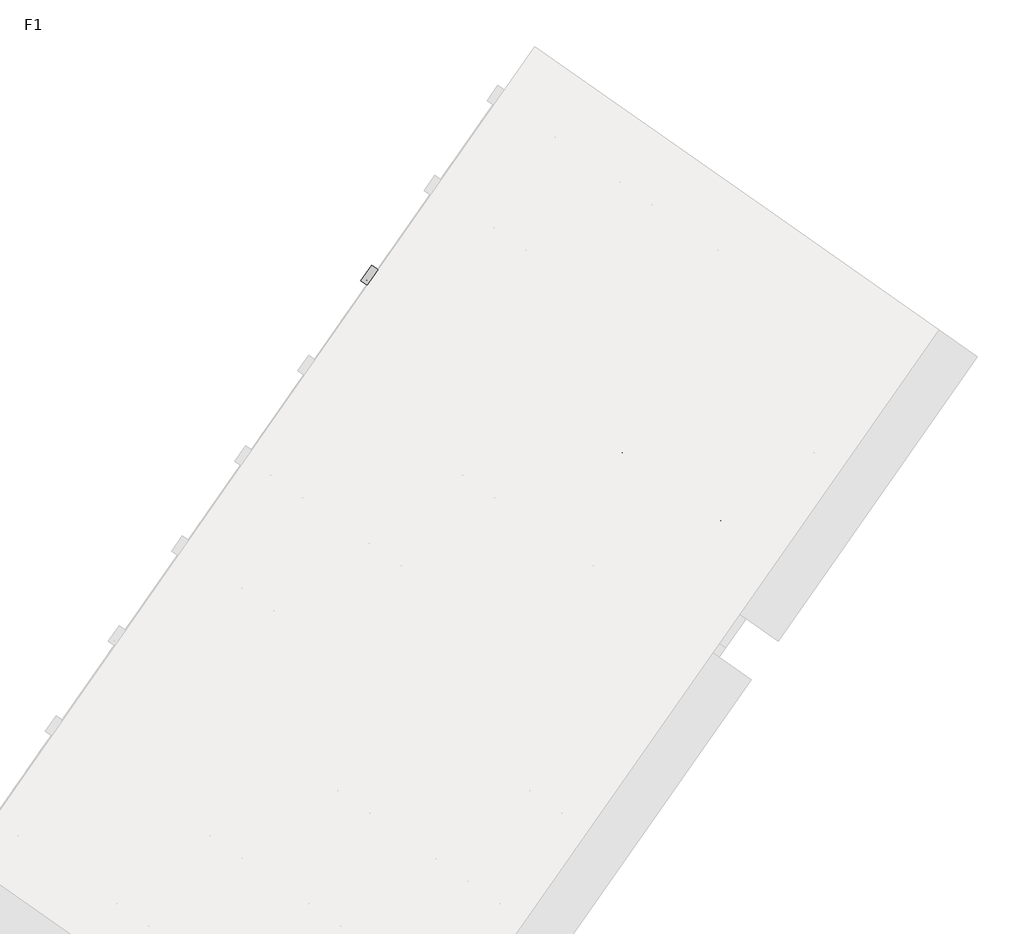
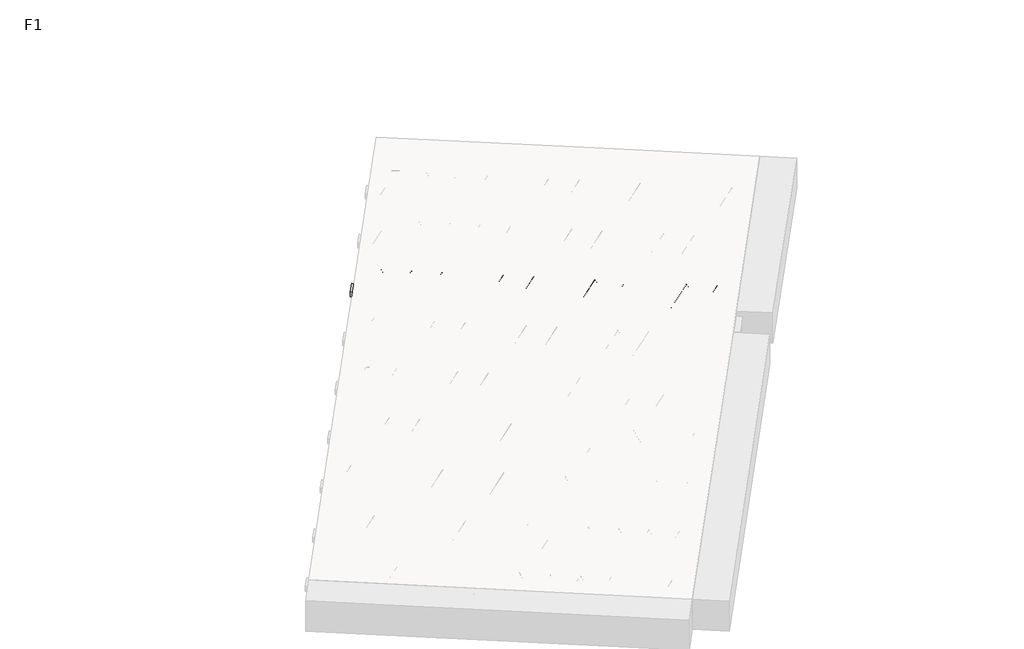
# One storey, part 13 of 30: 2 beams.
"""IFC4 building model written with IfcOpenShell, lengths in millimetres."""

from ifc_helpers import new_model, si_unit, point, frame, origin, origin_2d, place, context, project, spatial, polyline, circle_curve, trimmed, segment, composite_curve, outline, extrude, element, save

model = new_model("IFC4")

# Units and contexts
model_context = context("Model", 3, world=origin())
ifc_project = project(units=[si_unit("LENGTHUNIT", "METRE", prefix="MILLI")], contexts=[model_context])

# Site, building, storey
site = spatial("IfcSite", under=ifc_project)
building = spatial("IfcBuilding", under=site)
storey = spatial("IfcBuildingStorey", under=building, Name="F1", Elevation=99520.0)

# Beams
placement = place(None, origin())
element("IfcBeam", 1, at=placement, inside=storey, context=model_context, shape_type="SweptSolid", body=[
    extrude(outline(polyline([(6830.0256709, -399.5101824), (6898.8548433, -301.2119371), (9552.9074667, -2159.5995909), (9484.0782943, -2257.8978362), (6830.0256709, -399.5101824)])), frame((0.0, 0.0, 99720.0), z_axis=(0.0, 0.0, 1.0), x_axis=(1.0, 0.0, 0.0)), (0.0, 0.0, 1.0), 50.0),
])
element("IfcBeam", 2, at=placement, inside=storey, context=model_context, shape_type="SweptSolid", body=[
    extrude(outline(composite_curve([segment(trimmed(circle_curve(origin_2d(), 2.5), [point((-2.5, 0.0))], [point((2.4999999, 0.0))], False, "CARTESIAN"), True, "CONTINUOUS"), segment(trimmed(circle_curve(origin_2d(), 2.5), [point((2.4999999, 0.0))], [point((-2.5, 0.0))], False, "CARTESIAN"), True, "CONTINUOUS")], self_intersect=False)), frame((9478.1844798, -2224.4723527, 99745.0), z_axis=(-0.8191520442696126, 0.5735764363787226, 0.0), x_axis=(0.5735764363787226, 0.8191520442696126, 0.0)), (0.0, 0.0, 1.0), 3192.0),
    extrude(outline(composite_curve([segment(trimmed(circle_curve(origin_2d(), 2.5), [point((-2.5, 0.0))], [point((2.5, 0.0))], False, "CARTESIAN"), True, "CONTINUOUS"), segment(trimmed(circle_curve(origin_2d(), 2.5), [point((2.5, 0.0))], [point((-2.5, 0.0))], False, "CARTESIAN"), True, "CONTINUOUS")], self_intersect=False)), frame((9358.7582319, -2096.9013085, 99970.0), z_axis=(-0.8191520442696126, 0.5735764363787226, 0.0), x_axis=(0.5735764363787226, 0.8191520442696126, 0.0)), (0.0, 0.0, 1.0), 2850.0),
    extrude(outline(composite_curve([segment(trimmed(circle_curve(origin_2d(), 2.5), [point((-2.5, 0.0))], [point((2.5, 0.0))], False, "CARTESIAN"), True, "CONTINUOUS"), segment(trimmed(circle_curve(origin_2d(), 2.5), [point((2.5, 0.0))], [point((-2.5, 0.0))], False, "CARTESIAN"), True, "CONTINUOUS")], self_intersect=False)), frame((9399.5458835, -2169.4090148, 99745.0), z_axis=(-0.3145304735701046, 0.38933448886848654, 0.8657304643902053), x_axis=(0.7778747638402499, 0.6284193279813057, 0.0)), (0.0, 0.0, 1.0), 259.8961331),
    extrude(outline(composite_curve([segment(trimmed(circle_curve(origin_2d(), 2.5), [point((2.5, 0.0))], [point((-2.5, 1e-07))], False, "CARTESIAN"), True, "CONTINUOUS"), segment(trimmed(circle_curve(origin_2d(), 2.5), [point((-2.5, 1e-07))], [point((2.5, 0.0))], False, "CARTESIAN"), True, "CONTINUOUS")], self_intersect=False)), frame((9194.7578724, -2026.0149057, 99745.0), z_axis=(0.47343050384693375, -0.16240172737369005, 0.8657304643902051), x_axis=(-0.3244721671091268, -0.9458952440791246, 0.0)), (0.0, 0.0, 1.0), 259.8961331),
    extrude(outline(composite_curve([segment(trimmed(circle_curve(origin_2d(), 2.5), [point((-2.5, 0.0))], [point((2.5, 0.0))], False, "CARTESIAN"), True, "CONTINUOUS"), segment(trimmed(circle_curve(origin_2d(), 2.5), [point((2.5, 0.0))], [point((-2.5, 0.0))], False, "CARTESIAN"), True, "CONTINUOUS")], self_intersect=False)), frame((9194.7578724, -2026.0149057, 99745.0), z_axis=(-0.3145304735701046, 0.38933448886848654, 0.8657304643902053), x_axis=(0.7778747638402499, 0.6284193279813057, 0.0)), (0.0, 0.0, 1.0), 259.8961331),
    extrude(outline(composite_curve([segment(trimmed(circle_curve(origin_2d(), 2.5), [point((2.5, 0.0))], [point((-2.5, 0.0))], False, "CARTESIAN"), True, "CONTINUOUS"), segment(trimmed(circle_curve(origin_2d(), 2.5), [point((-2.5, 0.0))], [point((2.5, 0.0))], False, "CARTESIAN"), True, "CONTINUOUS")], self_intersect=False)), frame((8989.9698614, -1882.6207966, 99745.0), z_axis=(0.47343050384693375, -0.16240172737369005, 0.8657304643902051), x_axis=(-0.3244721671091268, -0.9458952440791246, 0.0)), (0.0, 0.0, 1.0), 259.8961331),
    extrude(outline(composite_curve([segment(trimmed(circle_curve(origin_2d(), 2.5), [point((-2.5, 0.0))], [point((2.5, 0.0))], False, "CARTESIAN"), True, "CONTINUOUS"), segment(trimmed(circle_curve(origin_2d(), 2.5), [point((2.5, 0.0))], [point((-2.5, 0.0))], False, "CARTESIAN"), True, "CONTINUOUS")], self_intersect=False)), frame((8989.9698614, -1882.6207966, 99745.0), z_axis=(-0.3145304735701046, 0.38933448886848654, 0.8657304643902053), x_axis=(0.7778747638402499, 0.6284193279813057, 0.0)), (0.0, 0.0, 1.0), 259.8961331),
    extrude(outline(composite_curve([segment(trimmed(circle_curve(origin_2d(), 2.5), [point((2.5, 0.0))], [point((-2.5, 0.0))], False, "CARTESIAN"), True, "CONTINUOUS"), segment(trimmed(circle_curve(origin_2d(), 2.5), [point((-2.5, 0.0))], [point((2.5, 0.0))], False, "CARTESIAN"), True, "CONTINUOUS")], self_intersect=False)), frame((8785.1818503, -1739.2266875, 99745.0), z_axis=(0.47343050384693375, -0.16240172737369005, 0.8657304643902051), x_axis=(-0.3244721671091268, -0.9458952440791246, 0.0)), (0.0, 0.0, 1.0), 259.8961331),
    extrude(outline(composite_curve([segment(trimmed(circle_curve(origin_2d(), 2.5), [point((-2.5, 0.0))], [point((2.5, 0.0))], False, "CARTESIAN"), True, "CONTINUOUS"), segment(trimmed(circle_curve(origin_2d(), 2.5), [point((2.5, 0.0))], [point((-2.5, 0.0))], False, "CARTESIAN"), True, "CONTINUOUS")], self_intersect=False)), frame((8785.1818503, -1739.2266875, 99745.0), z_axis=(-0.3145304735701046, 0.38933448886848654, 0.8657304643902053), x_axis=(0.7778747638402499, 0.6284193279813057, 0.0)), (0.0, 0.0, 1.0), 259.8961331),
    extrude(outline(composite_curve([segment(trimmed(circle_curve(origin_2d(), 2.5), [point((2.5, 0.0))], [point((-2.5, 1e-07))], False, "CARTESIAN"), True, "CONTINUOUS"), segment(trimmed(circle_curve(origin_2d(), 2.5), [point((-2.5, 1e-07))], [point((2.5, 0.0))], False, "CARTESIAN"), True, "CONTINUOUS")], self_intersect=False)), frame((8580.3938392, -1595.8325784, 99745.0), z_axis=(0.47343050384693375, -0.16240172737369005, 0.8657304643902051), x_axis=(-0.3244721671091268, -0.9458952440791246, 0.0)), (0.0, 0.0, 1.0), 259.8961331),
    extrude(outline(composite_curve([segment(trimmed(circle_curve(origin_2d(), 2.5), [point((-2.5, 0.0))], [point((2.5, 0.0))], False, "CARTESIAN"), True, "CONTINUOUS"), segment(trimmed(circle_curve(origin_2d(), 2.5), [point((2.5, 0.0))], [point((-2.5, 0.0))], False, "CARTESIAN"), True, "CONTINUOUS")], self_intersect=False)), frame((8580.3938392, -1595.8325784, 99745.0), z_axis=(-0.3145304735701046, 0.38933448886848654, 0.8657304643902053), x_axis=(0.7778747638402499, 0.6284193279813057, 0.0)), (0.0, 0.0, 1.0), 259.8961331),
    extrude(outline(composite_curve([segment(trimmed(circle_curve(origin_2d(), 2.5), [point((2.5, -1e-07))], [point((-2.5, 0.0))], False, "CARTESIAN"), True, "CONTINUOUS"), segment(trimmed(circle_curve(origin_2d(), 2.5), [point((-2.5, 0.0))], [point((2.5, -1e-07))], False, "CARTESIAN"), True, "CONTINUOUS")], self_intersect=False)), frame((8375.6058282, -1452.4384693, 99745.0), z_axis=(0.47343050384693375, -0.16240172737369005, 0.8657304643902051), x_axis=(-0.3244721671091268, -0.9458952440791246, 0.0)), (0.0, 0.0, 1.0), 259.8961331),
    extrude(outline(composite_curve([segment(trimmed(circle_curve(origin_2d(), 2.5), [point((-2.5, -1e-07))], [point((2.5, 0.0))], False, "CARTESIAN"), True, "CONTINUOUS"), segment(trimmed(circle_curve(origin_2d(), 2.5), [point((2.5, 0.0))], [point((-2.5, -1e-07))], False, "CARTESIAN"), True, "CONTINUOUS")], self_intersect=False)), frame((8375.6058282, -1452.4384693, 99745.0), z_axis=(-0.3145304735701046, 0.38933448886848654, 0.8657304643902053), x_axis=(0.7778747638402499, 0.6284193279813057, 0.0)), (0.0, 0.0, 1.0), 259.8961331),
    extrude(outline(composite_curve([segment(trimmed(circle_curve(origin_2d(), 2.5), [point((2.5, 0.0))], [point((-2.5, 0.0))], False, "CARTESIAN"), True, "CONTINUOUS"), segment(trimmed(circle_curve(origin_2d(), 2.5), [point((-2.5, 0.0))], [point((2.5, 0.0))], False, "CARTESIAN"), True, "CONTINUOUS")], self_intersect=False)), frame((8170.8178171, -1309.0443602, 99745.0), z_axis=(0.47343050384693375, -0.16240172737369005, 0.8657304643902051), x_axis=(-0.3244721671091268, -0.9458952440791246, 0.0)), (0.0, 0.0, 1.0), 259.8961331),
    extrude(outline(composite_curve([segment(trimmed(circle_curve(origin_2d(), 2.5), [point((-2.5, -1e-07))], [point((2.5, 0.0))], False, "CARTESIAN"), True, "CONTINUOUS"), segment(trimmed(circle_curve(origin_2d(), 2.5), [point((2.5, 0.0))], [point((-2.5, -1e-07))], False, "CARTESIAN"), True, "CONTINUOUS")], self_intersect=False)), frame((8170.8178171, -1309.0443602, 99745.0), z_axis=(-0.3145304735701046, 0.38933448886848654, 0.8657304643902053), x_axis=(0.7778747638402499, 0.6284193279813057, 0.0)), (0.0, 0.0, 1.0), 259.8961331),
    extrude(outline(composite_curve([segment(trimmed(circle_curve(origin_2d(), 2.5), [point((2.5000001, 0.0))], [point((-2.5, 0.0))], False, "CARTESIAN"), True, "CONTINUOUS"), segment(trimmed(circle_curve(origin_2d(), 2.5), [point((-2.5, 0.0))], [point((2.5000001, 0.0))], False, "CARTESIAN"), True, "CONTINUOUS")], self_intersect=False)), frame((7966.029806, -1165.6502511, 99745.0), z_axis=(0.47343050384693375, -0.16240172737369005, 0.8657304643902051), x_axis=(-0.3244721671091268, -0.9458952440791246, 0.0)), (0.0, 0.0, 1.0), 259.8961331),
    extrude(outline(composite_curve([segment(trimmed(circle_curve(origin_2d(), 2.5), [point((-2.5, -1e-07))], [point((2.5, 0.0))], False, "CARTESIAN"), True, "CONTINUOUS"), segment(trimmed(circle_curve(origin_2d(), 2.5), [point((2.5, 0.0))], [point((-2.5, -1e-07))], False, "CARTESIAN"), True, "CONTINUOUS")], self_intersect=False)), frame((7966.029806, -1165.6502511, 99745.0), z_axis=(-0.3145304735701046, 0.38933448886848654, 0.8657304643902053), x_axis=(0.7778747638402499, 0.6284193279813057, 0.0)), (0.0, 0.0, 1.0), 259.8961331),
    extrude(outline(composite_curve([segment(trimmed(circle_curve(origin_2d(), 2.5), [point((2.5000001, 0.0))], [point((-2.5, 0.0))], False, "CARTESIAN"), True, "CONTINUOUS"), segment(trimmed(circle_curve(origin_2d(), 2.5), [point((-2.5, 0.0))], [point((2.5000001, 0.0))], False, "CARTESIAN"), True, "CONTINUOUS")], self_intersect=False)), frame((7761.241795, -1022.256142, 99745.0), z_axis=(0.47343050384693375, -0.16240172737369005, 0.8657304643902051), x_axis=(-0.3244721671091268, -0.9458952440791246, 0.0)), (0.0, 0.0, 1.0), 259.8961331),
    extrude(outline(composite_curve([segment(trimmed(circle_curve(origin_2d(), 2.5), [point((-2.5, -1e-07))], [point((2.5, 0.0))], False, "CARTESIAN"), True, "CONTINUOUS"), segment(trimmed(circle_curve(origin_2d(), 2.5), [point((2.5, 0.0))], [point((-2.5, -1e-07))], False, "CARTESIAN"), True, "CONTINUOUS")], self_intersect=False)), frame((7761.241795, -1022.256142, 99745.0), z_axis=(-0.3145304735701046, 0.38933448886848654, 0.8657304643902053), x_axis=(0.7778747638402499, 0.6284193279813057, 0.0)), (0.0, 0.0, 1.0), 259.8961331),
    extrude(outline(composite_curve([segment(trimmed(circle_curve(origin_2d(), 2.5), [point((2.5, 0.0))], [point((-2.5000001, 0.0))], False, "CARTESIAN"), True, "CONTINUOUS"), segment(trimmed(circle_curve(origin_2d(), 2.5), [point((-2.5000001, 0.0))], [point((2.5, 0.0))], False, "CARTESIAN"), True, "CONTINUOUS")], self_intersect=False)), frame((7556.4537839, -878.862033, 99745.0), z_axis=(0.47343050384693375, -0.16240172737369005, 0.8657304643902051), x_axis=(-0.3244721671091268, -0.9458952440791246, 0.0)), (0.0, 0.0, 1.0), 259.8961331),
    extrude(outline(composite_curve([segment(trimmed(circle_curve(origin_2d(), 2.5), [point((-2.5, 0.0))], [point((2.5, 1e-07))], False, "CARTESIAN"), True, "CONTINUOUS"), segment(trimmed(circle_curve(origin_2d(), 2.5), [point((2.5, 1e-07))], [point((-2.5, 0.0))], False, "CARTESIAN"), True, "CONTINUOUS")], self_intersect=False)), frame((7556.4537839, -878.862033, 99745.0), z_axis=(-0.3145304735701046, 0.38933448886848654, 0.8657304643902053), x_axis=(0.7778747638402499, 0.6284193279813057, 0.0)), (0.0, 0.0, 1.0), 259.8961331),
    extrude(outline(composite_curve([segment(trimmed(circle_curve(origin_2d(), 2.5), [point((2.5, 0.0))], [point((-2.5000001, 0.0))], False, "CARTESIAN"), True, "CONTINUOUS"), segment(trimmed(circle_curve(origin_2d(), 2.5), [point((-2.5000001, 0.0))], [point((2.5, 0.0))], False, "CARTESIAN"), True, "CONTINUOUS")], self_intersect=False)), frame((7351.6657728, -735.4679239, 99745.0), z_axis=(0.47343050384693375, -0.16240172737369005, 0.8657304643902051), x_axis=(-0.3244721671091268, -0.9458952440791246, 0.0)), (0.0, 0.0, 1.0), 259.8961331),
    extrude(outline(composite_curve([segment(trimmed(circle_curve(origin_2d(), 2.5), [point((-2.5, 0.0))], [point((2.5, 1e-07))], False, "CARTESIAN"), True, "CONTINUOUS"), segment(trimmed(circle_curve(origin_2d(), 2.5), [point((2.5, 1e-07))], [point((-2.5, 0.0))], False, "CARTESIAN"), True, "CONTINUOUS")], self_intersect=False)), frame((7351.6657728, -735.4679239, 99745.0), z_axis=(-0.3145304735701046, 0.38933448886848654, 0.8657304643902053), x_axis=(0.7778747638402499, 0.6284193279813057, 0.0)), (0.0, 0.0, 1.0), 259.8961331),
    extrude(outline(composite_curve([segment(trimmed(circle_curve(origin_2d(), 2.5), [point((2.5, -1e-07))], [point((-2.5, 0.0))], False, "CARTESIAN"), True, "CONTINUOUS"), segment(trimmed(circle_curve(origin_2d(), 2.5), [point((-2.5, 0.0))], [point((2.5, -1e-07))], False, "CARTESIAN"), True, "CONTINUOUS")], self_intersect=False)), frame((7146.8777618, -592.0738148, 99745.0), z_axis=(0.47343050384693375, -0.16240172737369005, 0.8657304643902051), x_axis=(-0.3244721671091268, -0.9458952440791246, 0.0)), (0.0, 0.0, 1.0), 259.8961331),
    extrude(outline(composite_curve([segment(trimmed(circle_curve(origin_2d(), 2.5), [point((-2.5, 0.0))], [point((2.5, 1e-07))], False, "CARTESIAN"), True, "CONTINUOUS"), segment(trimmed(circle_curve(origin_2d(), 2.5), [point((2.5, 1e-07))], [point((-2.5, 0.0))], False, "CARTESIAN"), True, "CONTINUOUS")], self_intersect=False)), frame((7146.8777618, -592.0738148, 99745.0), z_axis=(-0.3145304735701046, 0.38933448886848654, 0.8657304643902053), x_axis=(0.7778747638402499, 0.6284193279813057, 0.0)), (0.0, 0.0, 1.0), 259.8961331),
    extrude(outline(composite_curve([segment(trimmed(circle_curve(origin_2d(), 2.5), [point((2.5, 0.0))], [point((-2.5, 0.0))], False, "CARTESIAN"), True, "CONTINUOUS"), segment(trimmed(circle_curve(origin_2d(), 2.5), [point((-2.5, 0.0))], [point((2.5, 0.0))], False, "CARTESIAN"), True, "CONTINUOUS")], self_intersect=False)), frame((6942.0897507, -448.6797057, 99745.0), z_axis=(0.47343050384693375, -0.16240172737369005, 0.8657304643902051), x_axis=(-0.3244721671091268, -0.9458952440791246, 0.0)), (0.0, 0.0, 1.0), 259.8961331),
    extrude(outline(composite_curve([segment(trimmed(circle_curve(origin_2d(), 2.5), [point((-2.5, 0.0))], [point((2.5, 0.0))], False, "CARTESIAN"), True, "CONTINUOUS"), segment(trimmed(circle_curve(origin_2d(), 2.5), [point((2.5, 0.0))], [point((-2.5, 0.0))], False, "CARTESIAN"), True, "CONTINUOUS")], self_intersect=False)), frame((9519.4819832, -2165.4934055, 99745.0), z_axis=(-0.8191520442696126, 0.5735764363787226, 0.0), x_axis=(0.5735764363787226, 0.8191520442696126, 0.0)), (0.0, 0.0, 1.0), 3192.0),
    extrude(outline(composite_curve([segment(trimmed(circle_curve(origin_2d(), 2.5), [point((-2.5, 0.0))], [point((2.5, 0.0))], False, "CARTESIAN"), True, "CONTINUOUS"), segment(trimmed(circle_curve(origin_2d(), 2.5), [point((2.5, 0.0))], [point((-2.5, 0.0))], False, "CARTESIAN"), True, "CONTINUOUS")], self_intersect=False)), frame((9440.8433869, -2110.4300676, 99745.0), z_axis=(-0.47343050384693375, 0.16240172737369005, 0.8657304643902051), x_axis=(0.3244721671091268, 0.9458952440791246, 0.0)), (0.0, 0.0, 1.0), 259.8961331),
    extrude(outline(composite_curve([segment(trimmed(circle_curve(origin_2d(), 2.5), [point((2.5000001, -1e-07))], [point((-2.5, 0.0))], False, "CARTESIAN"), True, "CONTINUOUS"), segment(trimmed(circle_curve(origin_2d(), 2.5), [point((-2.5, 0.0))], [point((2.5000001, -1e-07))], False, "CARTESIAN"), True, "CONTINUOUS")], self_intersect=False)), frame((9236.0553759, -1967.0359585, 99745.0), z_axis=(0.3145304735701046, -0.38933448886848654, 0.8657304643902053), x_axis=(-0.7778747638402499, -0.6284193279813057, 0.0)), (0.0, 0.0, 1.0), 259.8961331),
    extrude(outline(composite_curve([segment(trimmed(circle_curve(origin_2d(), 2.5), [point((-2.5, 1e-07))], [point((2.5, 0.0))], False, "CARTESIAN"), True, "CONTINUOUS"), segment(trimmed(circle_curve(origin_2d(), 2.5), [point((2.5, 0.0))], [point((-2.5, 1e-07))], False, "CARTESIAN"), True, "CONTINUOUS")], self_intersect=False)), frame((9236.0553759, -1967.0359585, 99745.0), z_axis=(-0.47343050384693375, 0.16240172737369005, 0.8657304643902051), x_axis=(0.3244721671091268, 0.9458952440791246, 0.0)), (0.0, 0.0, 1.0), 259.8961331),
    extrude(outline(composite_curve([segment(trimmed(circle_curve(origin_2d(), 2.5), [point((2.5, 0.0))], [point((-2.5, 0.0))], False, "CARTESIAN"), True, "CONTINUOUS"), segment(trimmed(circle_curve(origin_2d(), 2.5), [point((-2.5, 0.0))], [point((2.5, 0.0))], False, "CARTESIAN"), True, "CONTINUOUS")], self_intersect=False)), frame((9031.2673648, -1823.6418494, 99745.0), z_axis=(0.3145304735701046, -0.38933448886848654, 0.8657304643902053), x_axis=(-0.7778747638402499, -0.6284193279813057, 0.0)), (0.0, 0.0, 1.0), 259.8961331),
    extrude(outline(composite_curve([segment(trimmed(circle_curve(origin_2d(), 2.5), [point((-2.5, 0.0))], [point((2.5, 0.0))], False, "CARTESIAN"), True, "CONTINUOUS"), segment(trimmed(circle_curve(origin_2d(), 2.5), [point((2.5, 0.0))], [point((-2.5, 0.0))], False, "CARTESIAN"), True, "CONTINUOUS")], self_intersect=False)), frame((9031.2673648, -1823.6418494, 99745.0), z_axis=(-0.47343050384693375, 0.16240172737369005, 0.8657304643902051), x_axis=(0.3244721671091268, 0.9458952440791246, 0.0)), (0.0, 0.0, 1.0), 259.8961331),
    extrude(outline(composite_curve([segment(trimmed(circle_curve(origin_2d(), 2.5), [point((2.5, 1e-07))], [point((-2.5, 0.0))], False, "CARTESIAN"), True, "CONTINUOUS"), segment(trimmed(circle_curve(origin_2d(), 2.5), [point((-2.5, 0.0))], [point((2.5, 1e-07))], False, "CARTESIAN"), True, "CONTINUOUS")], self_intersect=False)), frame((8826.4793537, -1680.2477403, 99745.0), z_axis=(0.3145304735701046, -0.38933448886848654, 0.8657304643902053), x_axis=(-0.7778747638402499, -0.6284193279813057, 0.0)), (0.0, 0.0, 1.0), 259.8961331),
    extrude(outline(composite_curve([segment(trimmed(circle_curve(origin_2d(), 2.5), [point((-2.5, 0.0))], [point((2.5, 0.0))], False, "CARTESIAN"), True, "CONTINUOUS"), segment(trimmed(circle_curve(origin_2d(), 2.5), [point((2.5, 0.0))], [point((-2.5, 0.0))], False, "CARTESIAN"), True, "CONTINUOUS")], self_intersect=False)), frame((8826.4793537, -1680.2477403, 99745.0), z_axis=(-0.47343050384693375, 0.16240172737369005, 0.8657304643902051), x_axis=(0.3244721671091268, 0.9458952440791246, 0.0)), (0.0, 0.0, 1.0), 259.8961331),
    extrude(outline(composite_curve([segment(trimmed(circle_curve(origin_2d(), 2.5), [point((2.5000001, 0.0))], [point((-2.5, 0.0))], False, "CARTESIAN"), True, "CONTINUOUS"), segment(trimmed(circle_curve(origin_2d(), 2.5), [point((-2.5, 0.0))], [point((2.5000001, 0.0))], False, "CARTESIAN"), True, "CONTINUOUS")], self_intersect=False)), frame((8621.6913427, -1536.8536312, 99745.0), z_axis=(0.3145304735701046, -0.38933448886848654, 0.8657304643902053), x_axis=(-0.7778747638402499, -0.6284193279813057, 0.0)), (0.0, 0.0, 1.0), 259.8961331),
    extrude(outline(composite_curve([segment(trimmed(circle_curve(origin_2d(), 2.5), [point((-2.5, 1e-07))], [point((2.5, 0.0))], False, "CARTESIAN"), True, "CONTINUOUS"), segment(trimmed(circle_curve(origin_2d(), 2.5), [point((2.5, 0.0))], [point((-2.5, 1e-07))], False, "CARTESIAN"), True, "CONTINUOUS")], self_intersect=False)), frame((8621.6913427, -1536.8536312, 99745.0), z_axis=(-0.47343050384693375, 0.16240172737369005, 0.8657304643902051), x_axis=(0.3244721671091268, 0.9458952440791246, 0.0)), (0.0, 0.0, 1.0), 259.8961331),
    extrude(outline(composite_curve([segment(trimmed(circle_curve(origin_2d(), 2.5), [point((2.5, 1e-07))], [point((-2.5, 0.0))], False, "CARTESIAN"), True, "CONTINUOUS"), segment(trimmed(circle_curve(origin_2d(), 2.5), [point((-2.5, 0.0))], [point((2.5, 1e-07))], False, "CARTESIAN"), True, "CONTINUOUS")], self_intersect=False)), frame((8416.9033316, -1393.4595221, 99745.0), z_axis=(0.3145304735701046, -0.38933448886848654, 0.8657304643902053), x_axis=(-0.7778747638402499, -0.6284193279813057, 0.0)), (0.0, 0.0, 1.0), 259.8961331),
    extrude(outline(composite_curve([segment(trimmed(circle_curve(origin_2d(), 2.5), [point((-2.5000001, 0.0))], [point((2.5, 0.0))], False, "CARTESIAN"), True, "CONTINUOUS"), segment(trimmed(circle_curve(origin_2d(), 2.5), [point((2.5, 0.0))], [point((-2.5000001, 0.0))], False, "CARTESIAN"), True, "CONTINUOUS")], self_intersect=False)), frame((8416.9033316, -1393.4595221, 99745.0), z_axis=(-0.47343050384693375, 0.16240172737369005, 0.8657304643902051), x_axis=(0.3244721671091268, 0.9458952440791246, 0.0)), (0.0, 0.0, 1.0), 259.8961331),
    extrude(outline(composite_curve([segment(trimmed(circle_curve(origin_2d(), 2.5), [point((2.5, 0.0))], [point((-2.5, -1e-07))], False, "CARTESIAN"), True, "CONTINUOUS"), segment(trimmed(circle_curve(origin_2d(), 2.5), [point((-2.5, -1e-07))], [point((2.5, 0.0))], False, "CARTESIAN"), True, "CONTINUOUS")], self_intersect=False)), frame((8212.1153205, -1250.0654131, 99745.0), z_axis=(0.3145304735701046, -0.38933448886848654, 0.8657304643902053), x_axis=(-0.7778747638402499, -0.6284193279813057, 0.0)), (0.0, 0.0, 1.0), 259.8961331),
    extrude(outline(composite_curve([segment(trimmed(circle_curve(origin_2d(), 2.5), [point((-2.5000001, 0.0))], [point((2.5, 0.0))], False, "CARTESIAN"), True, "CONTINUOUS"), segment(trimmed(circle_curve(origin_2d(), 2.5), [point((2.5, 0.0))], [point((-2.5000001, 0.0))], False, "CARTESIAN"), True, "CONTINUOUS")], self_intersect=False)), frame((8212.1153205, -1250.065413, 99745.0), z_axis=(-0.47343050384693375, 0.16240172737369005, 0.8657304643902051), x_axis=(0.3244721671091268, 0.9458952440791246, 0.0)), (0.0, 0.0, 1.0), 259.8961331),
    extrude(outline(composite_curve([segment(trimmed(circle_curve(origin_2d(), 2.5), [point((2.5000001, -1e-07))], [point((-2.5, -1e-07))], False, "CARTESIAN"), True, "CONTINUOUS"), segment(trimmed(circle_curve(origin_2d(), 2.5), [point((-2.5, -1e-07))], [point((2.5000001, -1e-07))], False, "CARTESIAN"), True, "CONTINUOUS")], self_intersect=False)), frame((8007.3273095, -1106.671304, 99745.0), z_axis=(0.3145304735701046, -0.38933448886848654, 0.8657304643902053), x_axis=(-0.7778747638402499, -0.6284193279813057, 0.0)), (0.0, 0.0, 1.0), 259.8961331),
    extrude(outline(composite_curve([segment(trimmed(circle_curve(origin_2d(), 2.5), [point((-2.5, 0.0))], [point((2.5000001, 0.0))], False, "CARTESIAN"), True, "CONTINUOUS"), segment(trimmed(circle_curve(origin_2d(), 2.5), [point((2.5000001, 0.0))], [point((-2.5, 0.0))], False, "CARTESIAN"), True, "CONTINUOUS")], self_intersect=False)), frame((8007.3273094, -1106.671304, 99745.0), z_axis=(-0.47343050384693375, 0.16240172737369005, 0.8657304643902051), x_axis=(0.3244721671091268, 0.9458952440791246, 0.0)), (0.0, 0.0, 1.0), 259.8961331),
    extrude(outline(composite_curve([segment(trimmed(circle_curve(origin_2d(), 2.5), [point((2.5, 0.0))], [point((-2.5, -1e-07))], False, "CARTESIAN"), True, "CONTINUOUS"), segment(trimmed(circle_curve(origin_2d(), 2.5), [point((-2.5, -1e-07))], [point((2.5, 0.0))], False, "CARTESIAN"), True, "CONTINUOUS")], self_intersect=False)), frame((7802.5392984, -963.2771949, 99745.0), z_axis=(0.3145304735701046, -0.38933448886848654, 0.8657304643902053), x_axis=(-0.7778747638402499, -0.6284193279813057, 0.0)), (0.0, 0.0, 1.0), 259.8961331),
    extrude(outline(composite_curve([segment(trimmed(circle_curve(origin_2d(), 2.5), [point((-2.5, 0.0))], [point((2.5000001, 0.0))], False, "CARTESIAN"), True, "CONTINUOUS"), segment(trimmed(circle_curve(origin_2d(), 2.5), [point((2.5000001, 0.0))], [point((-2.5, 0.0))], False, "CARTESIAN"), True, "CONTINUOUS")], self_intersect=False)), frame((7802.5392984, -963.2771949, 99745.0), z_axis=(-0.47343050384693375, 0.16240172737369005, 0.8657304643902051), x_axis=(0.3244721671091268, 0.9458952440791246, 0.0)), (0.0, 0.0, 1.0), 259.8961331),
    extrude(outline(composite_curve([segment(trimmed(circle_curve(origin_2d(), 2.5), [point((2.5, 0.0))], [point((-2.5, -1e-07))], False, "CARTESIAN"), True, "CONTINUOUS"), segment(trimmed(circle_curve(origin_2d(), 2.5), [point((-2.5, -1e-07))], [point((2.5, 0.0))], False, "CARTESIAN"), True, "CONTINUOUS")], self_intersect=False)), frame((7597.7512873, -819.8830858, 99745.0), z_axis=(0.3145304735701046, -0.38933448886848654, 0.8657304643902053), x_axis=(-0.7778747638402499, -0.6284193279813057, 0.0)), (0.0, 0.0, 1.0), 259.8961331),
    extrude(outline(composite_curve([segment(trimmed(circle_curve(origin_2d(), 2.5), [point((-2.5, 0.0))], [point((2.5, 0.0))], False, "CARTESIAN"), True, "CONTINUOUS"), segment(trimmed(circle_curve(origin_2d(), 2.5), [point((2.5, 0.0))], [point((-2.5, 0.0))], False, "CARTESIAN"), True, "CONTINUOUS")], self_intersect=False)), frame((7597.7512873, -819.8830858, 99745.0), z_axis=(-0.47343050384693375, 0.16240172737369005, 0.8657304643902051), x_axis=(0.3244721671091268, 0.9458952440791246, 0.0)), (0.0, 0.0, 1.0), 259.8961331),
    extrude(outline(composite_curve([segment(trimmed(circle_curve(origin_2d(), 2.5), [point((2.5, 0.0))], [point((-2.5000001, 1e-07))], False, "CARTESIAN"), True, "CONTINUOUS"), segment(trimmed(circle_curve(origin_2d(), 2.5), [point((-2.5000001, 1e-07))], [point((2.5, 0.0))], False, "CARTESIAN"), True, "CONTINUOUS")], self_intersect=False)), frame((7392.9632762, -676.4889767, 99745.0), z_axis=(0.3145304735701046, -0.38933448886848654, 0.8657304643902053), x_axis=(-0.7778747638402499, -0.6284193279813057, 0.0)), (0.0, 0.0, 1.0), 259.8961331),
    extrude(outline(composite_curve([segment(trimmed(circle_curve(origin_2d(), 2.5), [point((-2.5, 0.0))], [point((2.5, -1e-07))], False, "CARTESIAN"), True, "CONTINUOUS"), segment(trimmed(circle_curve(origin_2d(), 2.5), [point((2.5, -1e-07))], [point((-2.5, 0.0))], False, "CARTESIAN"), True, "CONTINUOUS")], self_intersect=False)), frame((7392.9632762, -676.4889767, 99745.0), z_axis=(-0.47343050384693375, 0.16240172737369005, 0.8657304643902051), x_axis=(0.3244721671091268, 0.9458952440791246, 0.0)), (0.0, 0.0, 1.0), 259.8961331),
    extrude(outline(composite_curve([segment(trimmed(circle_curve(origin_2d(), 2.5), [point((2.5, 0.0))], [point((-2.5, 0.0))], False, "CARTESIAN"), True, "CONTINUOUS"), segment(trimmed(circle_curve(origin_2d(), 2.5), [point((-2.5, 0.0))], [point((2.5, 0.0))], False, "CARTESIAN"), True, "CONTINUOUS")], self_intersect=False)), frame((7188.1752652, -533.0948676, 99745.0), z_axis=(0.3145304735701046, -0.38933448886848654, 0.8657304643902053), x_axis=(-0.7778747638402499, -0.6284193279813057, 0.0)), (0.0, 0.0, 1.0), 259.8961331),
    extrude(outline(composite_curve([segment(trimmed(circle_curve(origin_2d(), 2.5), [point((-2.5, 0.0))], [point((2.5, 0.0))], False, "CARTESIAN"), True, "CONTINUOUS"), segment(trimmed(circle_curve(origin_2d(), 2.5), [point((2.5, 0.0))], [point((-2.5, 0.0))], False, "CARTESIAN"), True, "CONTINUOUS")], self_intersect=False)), frame((7188.1752652, -533.0948676, 99745.0), z_axis=(-0.47343050384693375, 0.16240172737369005, 0.8657304643902051), x_axis=(0.3244721671091268, 0.9458952440791246, 0.0)), (0.0, 0.0, 1.0), 259.8961331),
    extrude(outline(composite_curve([segment(trimmed(circle_curve(origin_2d(), 2.5), [point((2.5, 0.0))], [point((-2.5, 0.0))], False, "CARTESIAN"), True, "CONTINUOUS"), segment(trimmed(circle_curve(origin_2d(), 2.5), [point((-2.5, 0.0))], [point((2.5, 0.0))], False, "CARTESIAN"), True, "CONTINUOUS")], self_intersect=False)), frame((6983.3872541, -389.7007585, 99745.0), z_axis=(0.3145304735701046, -0.38933448886848654, 0.8657304643902053), x_axis=(-0.7778747638402499, -0.6284193279813057, 0.0)), (0.0, 0.0, 1.0), 259.8961331),
])

save(model, "model.ifc")
